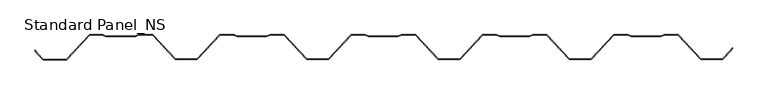
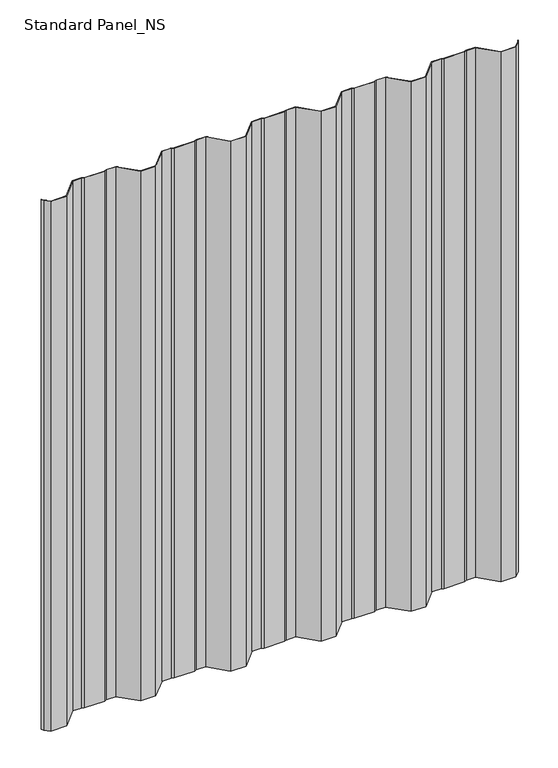
"""IFC4 building model written with IfcOpenShell, lengths in millimetres: proxy geometry, Standard Panel_NS."""

from ifc_helpers import new_model, si_unit, origin, origin_with_axes, place, context, project, spatial, polyline, outline, extrude, source, transform, mapped, element, save


def standard_panel_ns_321cfc58(model_context):
    return source(origin(), model_context, "Body", "SweptSolid", [
        extrude(outline(polyline([(518.0275485, -23.9791847), (520.5275485, -19.6490577), (521.2203688, -20.0490577), (518.6677078, -24.4703962), (506.338104, -36.8), (473.661896, -36.8), (439.661896, -0.8), (419.1607991, -0.8), (414.1607991, -2.8), (369.8526672, -2.8), (364.8526672, -0.8), (344.3515704, -0.8), (310.3515704, -36.8), (277.661896, -36.8), (243.661896, -0.8), (223.1607991, -0.8), (218.1607991, -2.8), (173.8526672, -2.8), (168.8526672, -0.8), (148.3515704, -0.8), (114.3515704, -36.8), (81.661896, -36.8), (47.661896, -0.8), (27.1607991, -0.8), (22.1607991, -2.8), (-22.1473328, -2.8), (-27.1473328, -0.8), (-47.6484296, -0.8), (-81.6484296, -36.8), (-114.338104, -36.8), (-148.338104, -0.8), (-168.8392009, -0.8), (-173.8392009, -2.8), (-218.1473328, -2.8), (-223.1473328, -0.8), (-243.6484296, -0.8), (-277.6484296, -36.8), (-310.338104, -36.8), (-344.338104, -0.8), (-364.8392009, -0.8), (-369.8392009, -2.8), (-414.1473328, -2.8), (-419.1473328, -0.8), (-437.7734296, -0.8), (-472.7178741, -37.8), (-507.5246377, -37.8), (-517.3187075, -28.0059302), (-519.8713685, -23.5845916), (-519.1785482, -23.1845916), (-516.6785482, -27.5147186), (-507.1932668, -37.0), (-473.0488709, -37.0), (-438.1182668, 0.0), (-418.9932668, 0.0), (-413.9932668, -2.0), (-369.9932668, -2.0), (-364.9932668, 0.0), (-343.9932668, 0.0), (-309.9932668, -36.0), (-277.9932668, -36.0), (-243.9932668, 0.0), (-222.9932668, 0.0), (-217.9932668, -2.0), (-173.9932668, -2.0), (-168.9932668, 0.0), (-147.9932668, 0.0), (-113.9932668, -36.0), (-81.9932668, -36.0), (-47.9932668, 0.0), (-26.9932668, 0.0), (-21.9932668, -2.0), (22.0067332, -2.0), (27.0067332, 0.0), (48.0067332, 0.0), (82.0067332, -36.0), (114.0067332, -36.0), (148.0067332, 0.0), (169.0067332, 0.0), (174.0067332, -2.0), (218.0067332, -2.0), (223.0067332, 0.0), (244.0067332, 0.0), (278.0067332, -36.0), (310.0067332, -36.0), (344.0067332, 0.0), (365.0067332, 0.0), (370.0067332, -2.0), (414.0067332, -2.0), (419.0067332, 0.0), (440.0067332, 0.0), (474.0067332, -36.0), (506.0067332, -36.0), (518.0275485, -23.9791847)])), origin_with_axes(), (0.0, 0.0, 1.0), 1219.2),
    ])


if __name__ == "__main__":
    model = new_model("IFC4")
    model_context = context("Model", 3, world=origin())
    ifc_project = project(units=[si_unit("LENGTHUNIT", "METRE", prefix="MILLI")], contexts=[model_context])
    site = spatial("IfcSite", under=ifc_project)
    building = spatial("IfcBuilding", under=site)
    placement = place(None, origin())
    standard_panel_ns_shape = standard_panel_ns_321cfc58(model_context)
    element("IfcBuildingElementProxy", 1, Name="Standard Panel_NS", ObjectType="Standard Panel_NS", at=placement, inside=building, context=model_context, shape_type="MappedRepresentation", body=[
        mapped(standard_panel_ns_shape, transform((0.0, 0.0, 0.0), x_axis=(1.0, 0.0, 0.0), y_axis=(0.0, 1.0, 0.0), z_axis=(0.0, 0.0, 1.0))),
    ])
    save(model, "model.ifc")
